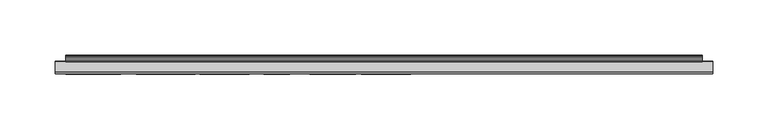
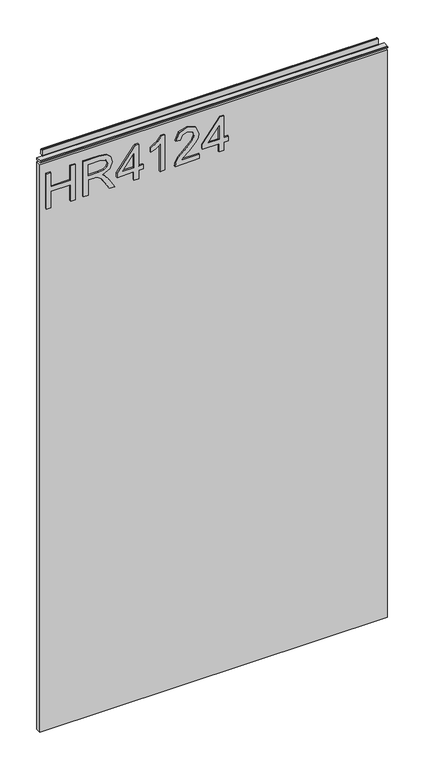
"""IFC4 building model written with IfcOpenShell, lengths in millimetres: furniture geometry."""

import ifcopenshell
import ifcopenshell.guid

model = None  # the IFC model being written
_history = None  # IfcOwnerHistory: only IFC2X3 demands one
_inside = {}  # id of a spatial element -> (the spatial element, [elements in it])
_under = {}  # id of a project, library or spatial element -> (it, [spatial elements below it])
_declared = {}  # id of a project -> (the project, [libraries it declares])
_typed = {}  # id of a type object -> (the type object, [elements of that type])
_made_of = {}  # id of a material, layer set ... -> (it, [elements and type objects made of it])


def new_model(schema):
    """Start an empty IFC model of exactly this schema.

    Asked for "IFC4X3", IfcOpenShell would pick the latest addendum, in which some entities
    have other attributes; the version numbers below select the first issue.
    IFC2X3 requires an IfcOwnerHistory on every rooted entity: one is made here for all.
    """
    global model, _history
    if schema == "IFC4X3":
        model = ifcopenshell.file(schema_version=(4, 3, 0, 0))
    else:
        model = ifcopenshell.file(schema=schema)
    _inside.clear()
    _under.clear()
    _declared.clear()
    _typed.clear()
    _made_of.clear()
    _history = None
    if model.schema == "IFC2X3":
        org = make("IfcOrganization", Name="unknown")
        user = make(
            "IfcPersonAndOrganization",
            ThePerson=make("IfcPerson", FamilyName="unknown"),
            TheOrganization=org,
        )
        app = make(
            "IfcApplication",
            ApplicationDeveloper=org,
            Version="unknown",
            ApplicationFullName="unknown",
            ApplicationIdentifier="unknown",
        )
        _history = make(
            "IfcOwnerHistory",
            OwningUser=user,
            OwningApplication=app,
            ChangeAction="ADDED",
            CreationDate=0,
        )
    return model


def make(cls, **values):
    """One entity of the class cls with the attributes given. An attribute that is None is left unset."""
    return model.create_entity(
        cls, **{name: value for name, value in values.items() if value is not None}
    )


def rooted(cls, **values):
    """An entity with a GlobalId (a new one), such as an element, a storey or a relation."""
    return make(cls, GlobalId=ifcopenshell.guid.new(), OwnerHistory=_history, **values)


def si_unit(unit_type, name, prefix=None):
    """IfcSIUnit, for example si_unit("LENGTHUNIT", "METRE", prefix="MILLI")."""
    return make("IfcSIUnit", UnitType=unit_type, Prefix=prefix, Name=name)


def assignment(units):
    """IfcUnitAssignment: the units of a project."""
    return None if units is None else make("IfcUnitAssignment", Units=units)


def point(xyz):
    """IfcCartesianPoint."""
    return None if xyz is None else make("IfcCartesianPoint", Coordinates=xyz)


def direction(xyz):
    """IfcDirection."""
    return None if xyz is None else make("IfcDirection", DirectionRatios=xyz)


def frame(location, z_axis=None, x_axis=None):
    """IfcAxis2Placement3D, a coordinate frame: its origin and axes. An axis left out is left unset."""
    return make(
        "IfcAxis2Placement3D",
        Location=point(location),
        Axis=direction(z_axis),
        RefDirection=direction(x_axis),
    )


def origin():
    """The frame at (0, 0, 0) with its axes left unset."""
    return frame((0.0, 0.0, 0.0))


def place(relative_to, where):
    """IfcLocalPlacement: puts the frame where relative to a parent placement (None: the world)."""
    return make(
        "IfcLocalPlacement", PlacementRelTo=relative_to, RelativePlacement=where
    )


def context(
    kind, dimensions, precision=None, world=None, true_north=None, identifier=None
):
    """IfcGeometricRepresentationContext, for example the 3D "Model" context."""
    return make(
        "IfcGeometricRepresentationContext",
        ContextIdentifier=identifier,
        ContextType=kind,
        CoordinateSpaceDimension=dimensions,
        Precision=precision,
        WorldCoordinateSystem=world,
        TrueNorth=true_north,
    )


def project(units=None, contexts=None):
    """IfcProject with its units and contexts."""
    return rooted(
        "IfcProject",
        Name="project",
        RepresentationContexts=contexts,
        UnitsInContext=assignment(units),
    )


def spatial(cls, under=None, at=None, **own):
    """A site, building, storey or space (cls), placed at a placement, below another one or the project."""
    s = rooted(cls, ObjectPlacement=at, **own)
    if under is not None:
        _under.setdefault(under.id(), (under, []))[1].append(s)
    return s


def polyline(points):
    """IfcPolyline through the points."""
    return make("IfcPolyline", Points=[point(p) for p in points])


def outline(outer, holes=None, kind="AREA"):
    """IfcArbitraryClosedProfileDef: a profile drawn as a closed curve; with holes, ...WithVoids."""
    if holes is None:
        return make("IfcArbitraryClosedProfileDef", ProfileType=kind, OuterCurve=outer)
    return make(
        "IfcArbitraryProfileDefWithVoids",
        ProfileType=kind,
        OuterCurve=outer,
        InnerCurves=holes,
    )


def extrude(swept, where, along, depth):
    """IfcExtrudedAreaSolid: the profile swept, set in the frame where, extruded along a direction by depth."""
    return make(
        "IfcExtrudedAreaSolid",
        SweptArea=swept,
        Position=where,
        ExtrudedDirection=direction(along),
        Depth=depth,
    )


def shape(context_of_items, identifier, shape_type, items):
    """IfcShapeRepresentation: the items that make up one representation, for example the "Body"."""
    return make(
        "IfcShapeRepresentation",
        ContextOfItems=context_of_items,
        RepresentationIdentifier=identifier,
        RepresentationType=shape_type,
        Items=items,
    )


def source(mapping_origin, context_of_items, identifier, shape_type, items):
    """IfcRepresentationMap: a shape defined once, which mapped items show again and again."""
    return make(
        "IfcRepresentationMap",
        MappingOrigin=mapping_origin,
        MappedRepresentation=shape(context_of_items, identifier, shape_type, items),
    )


def transform(
    local_origin,
    x_axis=None,
    y_axis=None,
    z_axis=None,
    scale=None,
    scale2=None,
    scale3=None,
    uniform=True,
):
    """IfcCartesianTransformationOperator3D, or its non-uniform kind. x_axis, y_axis, z_axis: its Axis1, 2, 3."""
    if uniform:
        return make(
            "IfcCartesianTransformationOperator3D",
            Axis1=direction(x_axis),
            Axis2=direction(y_axis),
            LocalOrigin=point(local_origin),
            Scale=scale,
            Axis3=direction(z_axis),
        )
    return make(
        "IfcCartesianTransformationOperator3DnonUniform",
        Axis1=direction(x_axis),
        Axis2=direction(y_axis),
        LocalOrigin=point(local_origin),
        Scale=scale,
        Axis3=direction(z_axis),
        Scale2=scale2,
        Scale3=scale3,
    )


def mapped(mapping_source, mapping_target):
    """IfcMappedItem: shows the shape of a source again, moved by a transform."""
    return make(
        "IfcMappedItem", MappingSource=mapping_source, MappingTarget=mapping_target
    )


def made_of(thing, what):
    """Note that an element or type object is made of a material, layer set ...; save() writes the relation."""
    if what is not None:
        _made_of.setdefault(what.id(), (what, []))[1].append(thing)
    return thing


def element(
    cls,
    number,
    at=None,
    inside=None,
    cuts=None,
    type_object=None,
    material=None,
    context=None,
    identifier="Body",
    shape_type=None,
    held_by="IfcProductDefinitionShape",
    body=None,
    shapes=None,
    **own,
):
    """One element of the class cls, such as IfcWall. Its Tag is "e" and its number.

    at: its placement. inside: the storey or other place that contains it. cuts: it is an
    opening in that element (IfcRelVoidsElement). A single representation is given by context,
    identifier, shape_type and body (its items); several are given by shapes. held_by: the class
    of the entity that holds the representations. save() writes the other relations.
    """
    e = rooted(cls, Tag="e%d" % number, ObjectPlacement=at, **own)
    if body is not None:
        shapes = [shape(context, identifier, shape_type, body)]
    if shapes is not None:
        e.Representation = make(held_by, Representations=shapes)
    if inside is not None:
        _inside.setdefault(inside.id(), (inside, []))[1].append(e)
    if cuts is not None:
        rooted(
            "IfcRelVoidsElement", RelatingBuildingElement=cuts, RelatedOpeningElement=e
        )
    if type_object is not None:
        _typed.setdefault(type_object.id(), (type_object, []))[1].append(e)
    return made_of(e, material)


def aggregate(whole, parts):
    """IfcRelAggregates: a whole, such as a stair, and the parts it consists of."""
    return rooted("IfcRelAggregates", RelatingObject=whole, RelatedObjects=parts)


def save(model, path):
    """Write the relations noted so far, then the file.

    IfcRelAggregates (storeys below a building ...), IfcRelContainedInSpatialStructure (elements
    in a storey), IfcRelDefinesByType, IfcRelAssociatesMaterial and IfcRelDeclares: one each for
    every whole, place, type object, material and project.
    """
    for whole, parts in _under.values():
        aggregate(whole, parts)
    for where, things in _inside.values():
        rooted(
            "IfcRelContainedInSpatialStructure",
            RelatedElements=things,
            RelatingStructure=where,
        )
    for kind, things in _typed.values():
        rooted("IfcRelDefinesByType", RelatedObjects=things, RelatingType=kind)
    for what, things in _made_of.values():
        rooted("IfcRelAssociatesMaterial", RelatedObjects=things, RelatingMaterial=what)
    for by, libraries in _declared.values():
        rooted("IfcRelDeclares", RelatingContext=by, RelatedDefinitions=libraries)
    model.write(path)


def furniture_46803e06(model_context):
    return source(origin(), model_context, "Body", "SweptSolid", [
        extrude(outline(polyline([(1053.0078, -288.5795281), (1053.0078, -280.6058085), (1082.9092486, -280.6058085), (1082.9092486, -246.7175001), (1053.0078, -246.7175001), (1053.0078, -238.7437805), (1116.7975569, -238.7437805), (1116.7975569, -246.7175001), (1090.8829682, -246.7175001), (1090.8829682, -280.6058085), (1116.7975569, -280.6058085), (1116.7975569, -288.5795281), (1053.0078, -288.5795281)])), frame((0.0, -5.6037602, 0.0), z_axis=(0.0, 1.0, 0.0), x_axis=(0.0, 0.0, 1.0)), (0.0, 0.0, 1.0), 2.38125),
        extrude(outline(polyline([(1053.0078, -224.7897712), (1053.0078, -216.8160515), (1080.9158187, -216.8160515), (1080.9158187, -207.1915228), (1080.6354926, -202.5661424), (1079.1170596, -198.7739535), (1074.98225, -194.5612755), (1066.2298468, -188.5654121), (1053.0078, -180.2646454), (1053.0078, -170.9983111), (1070.294575, -181.6351285), (1078.5018996, -188.098202), (1081.9125336, -192.6301403), (1087.8461023, -179.2757173), (1099.3394716, -174.9540235), (1108.9873609, -177.5626135), (1115.0766663, -184.5396181), (1116.7975569, -197.3022416), (1116.7975569, -224.7897712), (1053.0078, -224.7897712)]), holes=[polyline([(1088.8895383, -216.8160515), (1108.8238373, -216.8160515), (1108.8238373, -196.9596208), (1106.0672975, -186.299443), (1099.0435719, -182.9277432), (1093.6317211, -184.6953548), (1090.0186294, -189.8658136), (1088.8895383, -198.9686244), (1088.8895383, -216.8160515)])]), frame((0.0, -5.6037602, 0.0), z_axis=(0.0, 1.0, 0.0), x_axis=(0.0, 0.0, 1.0)), (0.0, 0.0, 1.0), 2.38125),
        extrude(outline(polyline([(1053.0078, -138.0755703), (1053.0078, -130.1018507), (1067.9585243, -130.1018507), (1067.9585243, -122.1281311), (1075.9322439, -122.1281311), (1075.9322439, -130.1018507), (1115.800842, -130.1018507), (1115.800842, -136.0821404), (1075.9322439, -166.9803039), (1067.9585243, -166.9803039), (1067.9585243, -138.0755703), (1053.0078, -138.0755703)]), holes=[polyline([(1075.9322439, -138.0755703), (1075.9322439, -157.1688911), (1100.5697916, -138.0755703), (1075.9322439, -138.0755703)])]), frame((0.0, -5.6037602, 0.0), z_axis=(0.0, 1.0, 0.0), x_axis=(0.0, 0.0, 1.0)), (0.0, 0.0, 1.0), 2.38125),
        extrude(outline(polyline([(1053.0078, -85.2496778), (1116.7975569, -85.2496778), (1116.7975569, -90.3889893), (1108.3099062, -97.4827965), (1100.8501177, -109.1708367), (1093.3124609, -109.1708367), (1097.3382549, -100.7766279), (1102.7189582, -93.2233975), (1053.0078, -93.2233975), (1053.0078, -85.2496778)])), frame((0.0, -5.6037602, 0.0), z_axis=(0.0, 1.0, 0.0), x_axis=(0.0, 0.0, 1.0)), (0.0, 0.0, 1.0), 2.38125),
        extrude(outline(polyline([(1060.9815196, -25.4467807), (1060.9815196, -56.7654333), (1065.0384609, -53.1679153), (1072.708494, -43.995023), (1083.6334243, -32.5717352), (1091.4514072, -27.8606997), (1099.0124245, -26.4434956), (1111.6893928, -31.6996097), (1116.7975569, -45.9728792), (1112.203324, -60.1994278), (1098.8566878, -66.3120937), (1097.8599729, -58.3383741), (1105.9115608, -54.982248), (1108.8238373, -46.1441896), (1105.8414793, -37.6643257), (1098.5296407, -34.4172153), (1089.4969115, -37.8589966), (1076.21257, -51.6261219), (1066.9695962, -61.6088451), (1058.5053059, -66.4522568), (1053.0078, -67.3088087), (1053.0078, -25.4467807), (1060.9815196, -25.4467807)])), frame((0.0, -5.6037602, 0.0), z_axis=(0.0, 1.0, 0.0), x_axis=(0.0, 0.0, 1.0)), (0.0, 0.0, 1.0), 2.38125),
        extrude(outline(polyline([(1053.0078, 8.4415277), (1053.0078, 16.4152473), (1067.9585243, 16.4152473), (1067.9585243, 24.3889669), (1075.9322439, 24.3889669), (1075.9322439, 16.4152473), (1115.800842, 16.4152473), (1115.800842, 10.4349576), (1075.9322439, -20.4632059), (1067.9585243, -20.4632059), (1067.9585243, 8.4415277), (1053.0078, 8.4415277)]), holes=[polyline([(1075.9322439, 8.4415277), (1075.9322439, -10.6517931), (1100.5697916, 8.4415277), (1075.9322439, 8.4415277)])]), frame((0.0, -5.6037602, 0.0), z_axis=(0.0, 1.0, 0.0), x_axis=(0.0, 0.0, 1.0)), (0.0, 0.0, 1.0), 2.38125),
        extrude(outline(polyline([(5.5562561, 1143.0), (6.3500061, 1143.0), (6.3500061, 1152.87425), (7.1437561, 1153.668), (8.6677569, 1153.668), (10.0084363, 1153.2506926), (10.875413, 1152.1461816), (10.9623604, 1150.7447591), (10.2390011, 1147.7863459), (10.4046103, 1146.5833307), (11.6746103, 1144.3836103), (10.7786383, 1143.8663244), (7.1437561, 1143.8663244), (7.1437561, 1143.0), (6.3500061, 1142.7669239), (6.3500061, 1135.5578), (5.5562561, 1135.5578), (5.5562561, 1143.0)])), frame((-288.671, 0.0, 0.0), z_axis=(1.0, 0.0, 0.0), x_axis=(0.0, 1.0, 0.0)), (0.0, 0.0, 1.0), 577.342),
        extrude(outline(polyline([(5.5562561, 1143.0), (5.5562561, 1139.8249996), (-3.975094, 1139.8249996), (-5.3492339, 1140.6183657), (-5.3492339, 1142.2066395), (-3.9751037, 1143.0), (5.5562561, 1143.0)])), frame((-298.196, 0.0, 0.0), z_axis=(1.0, 0.0, 0.0), x_axis=(0.0, 1.0, 0.0)), (0.0, 0.0, 1.0), 596.392),
        extrude(outline(polyline([(298.196, 6.3500061), (298.196, -3.1749939), (-298.196, -3.1749939), (-298.196, 6.3500061), (298.196, 6.3500061)])), frame((0.0, 0.0, 104.69626), z_axis=(0.0, 0.0, 1.0), x_axis=(1.0, 0.0, 0.0)), (0.0, 0.0, 1.0), 1030.86154),
    ])


if __name__ == "__main__":
    model = new_model("IFC4")
    model_context = context("Model", 3, world=origin())
    ifc_project = project(units=[si_unit("LENGTHUNIT", "METRE", prefix="MILLI")], contexts=[model_context])
    site = spatial("IfcSite", under=ifc_project)
    building = spatial("IfcBuilding", under=site)
    placement = place(None, origin())
    furniture_shape = furniture_46803e06(model_context)
    element("IfcFurniture", 1, at=placement, inside=building, context=model_context, shape_type="MappedRepresentation", body=[
        mapped(furniture_shape, transform((0.0, 0.0, 0.0), x_axis=(1.0, 0.0, 0.0), y_axis=(0.0, 1.0, 0.0), z_axis=(0.0, 0.0, 1.0))),
    ])
    save(model, "model.ifc")
